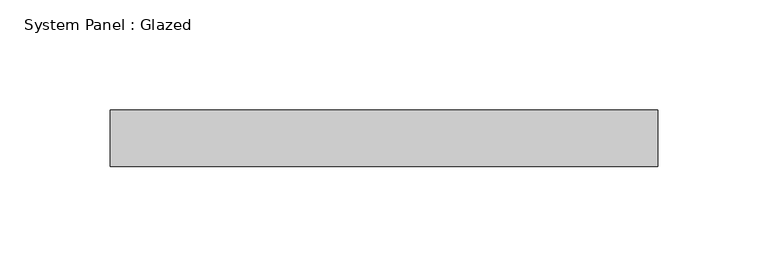
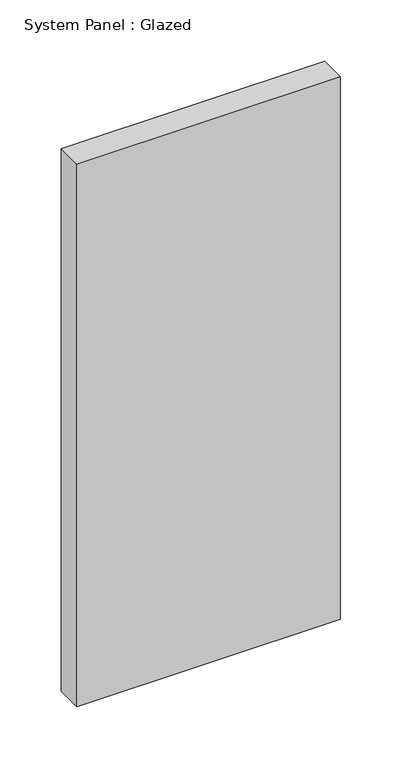
"""IFC4 building model written with IfcOpenShell, lengths in millimetres: plate geometry, System Panel : Glazed."""

from ifc_helpers import new_model, si_unit, origin, origin_with_axes, place, context, project, spatial, polyline, outline, extrude, source, transform, mapped, element, save


def system_panel_glazed_1c540efa(model_context):
    return source(origin(), model_context, "Body", "SweptSolid", [
        extrude(outline(polyline([(123.825, -12.7), (-123.825, -12.7), (-123.825, 12.7), (123.825, 12.7), (123.825, -12.7)])), origin_with_axes(), (0.0, 0.0, 1.0), 539.75),
    ])


if __name__ == "__main__":
    model = new_model("IFC4")
    model_context = context("Model", 3, world=origin())
    ifc_project = project(units=[si_unit("LENGTHUNIT", "METRE", prefix="MILLI")], contexts=[model_context])
    site = spatial("IfcSite", under=ifc_project)
    building = spatial("IfcBuilding", under=site)
    placement = place(None, origin())
    system_panel_glazed_shape = system_panel_glazed_1c540efa(model_context)
    element("IfcPlate", 1, ObjectType="System Panel : Glazed", at=placement, inside=building, context=model_context, shape_type="MappedRepresentation", body=[
        mapped(system_panel_glazed_shape, transform((0.0, 0.0, 0.0), x_axis=(1.0, 0.0, 0.0), y_axis=(0.0, 1.0, 0.0), z_axis=(0.0, 0.0, 1.0))),
    ])
    save(model, "model.ifc")
